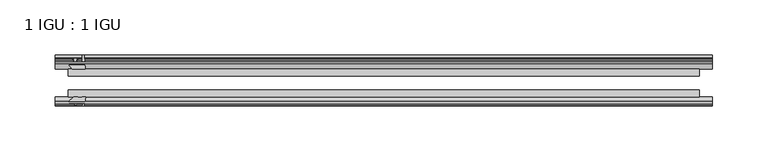
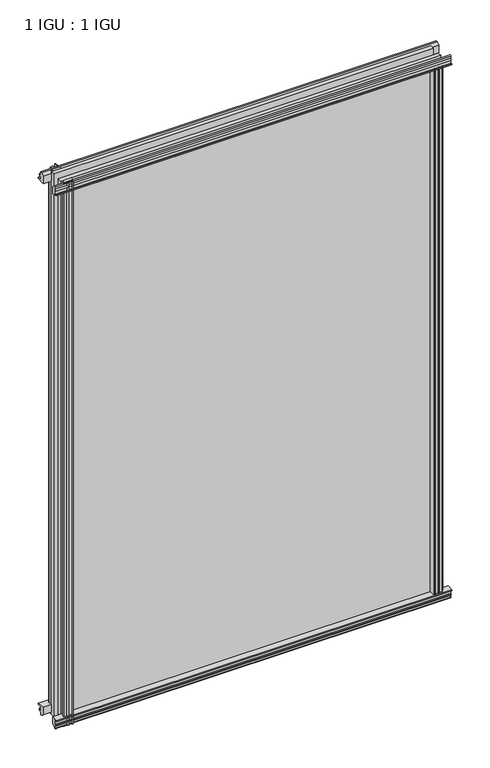
"""IFC4 building model written with IfcOpenShell, lengths in millimetres: plate geometry, 1 IGU : 1 IGU."""

from ifc_helpers import new_model, si_unit, point, frame, frame_2d, origin, origin_with_axes, place, context, project, spatial, polyline, circle_curve, trimmed, segment, composite_curve, outline, extrude, source, transform, mapped, element, save


def plate_1_igu_1_igu_47113755(model_context):
    return source(origin(), model_context, "Body", "SweptSolid", [
        extrude(outline(polyline([(-24.9039062, 2.5763839), (-12.2039062, 1.5739665), (-12.2039062, 0.0), (-18.5539062, 0.0), (-18.5539062, -4.953), (-16.254502, -5.5691235), (-16.6301757, -4.1670901), (-15.7714677, -3.937), (-15.1249062, -6.35), (-15.7714677, -8.763), (-16.6301757, -8.5329099), (-16.254502, -7.1308765), (-18.5539062, -7.747), (-18.5539062, -12.7), (-20.5859062, -12.7), (-24.9039062, -9.1036931), (-24.9039062, 2.5763839)])), frame((-297.6118, 0.0, 0.0), z_axis=(1.0, 0.0, 0.0), x_axis=(0.0, 1.0, 0.0)), (0.0, 0.0, 1.0), 595.2236),
        extrude(outline(composite_curve([segment(polyline([(-58.2287402, 1.5687054), (-50.3039062, 3.0983599), (-50.3039062, -7.92383), (-54.4858806, -12.1058044)]), True, "CONTINUOUS"), segment(trimmed(circle_curve(frame_2d((-55.3839062, -11.2077788)), 1.27), [point((-54.4858806, -12.1058044))], [point((-56.6539062, -11.2077788))], False, "CARTESIAN"), True, "CONTINUOUS"), segment(polyline([(-56.6539062, -11.2077788), (-56.6539062, -8.0327788), (-58.1332022, -5.4488186), (-56.6539062, -5.1879788), (-56.6539062, 0.2222212), (-58.2287402, 0.0), (-58.2287402, 1.5687054)]), True, "CONTINUOUS")], self_intersect=False)), frame((-297.6118, 0.0, 0.0), z_axis=(1.0, 0.0, 0.0), x_axis=(0.0, 1.0, 0.0)), (0.0, 0.0, 1.0), 595.2236),
        extrude(outline(polyline([(-18.5539063, 845.956525), (-16.254502, 845.3404015), (-16.6301757, 846.7424349), (-15.7714677, 846.972525), (-15.1249063, 844.559525), (-15.7714677, 842.146525), (-16.6301757, 842.3766151), (-16.254502, 843.7786485), (-18.5539063, 843.162525), (-18.5539063, 838.209525), (-12.2039062, 838.209525), (-12.2039062, 836.6355585), (-24.9039063, 835.6331411), (-24.9039063, 847.3132181), (-20.5859063, 850.909525), (-18.5539063, 850.909525), (-18.5539063, 845.956525)])), frame((-297.6118, 0.0, 0.0), z_axis=(1.0, 0.0, 0.0), x_axis=(0.0, 1.0, 0.0)), (0.0, 0.0, 1.0), 595.2236),
        extrude(outline(composite_curve([segment(polyline([(-50.3039063, 846.133355), (-50.3039063, 835.1111651), (-58.2287402, 836.6408196), (-58.2287402, 838.209525), (-56.6539063, 837.9873038), (-56.6539063, 843.3975038), (-58.1332023, 843.6583436), (-56.6539063, 846.2423038), (-56.6539063, 849.4173038)]), True, "CONTINUOUS"), segment(trimmed(circle_curve(frame_2d((-55.3839063, 849.4173038)), 1.27), [point((-56.6539063, 849.4173038))], [point((-54.4858806, 850.3153294))], False, "CARTESIAN"), True, "CONTINUOUS"), segment(polyline([(-54.4858806, 850.3153294), (-50.3039063, 846.133355)]), True, "CONTINUOUS")], self_intersect=False)), frame((-297.6118, 0.0, 0.0), z_axis=(1.0, 0.0, 0.0), x_axis=(0.0, 1.0, 0.0)), (0.0, 0.0, 1.0), 595.2236),
        extrude(outline(composite_curve([segment(polyline([(271.318956, -57.3876965), (269.9516401, -50.3039063), (280.97383, -50.3039063), (285.1558044, -54.4858806)]), True, "CONTINUOUS"), segment(trimmed(circle_curve(frame_2d((284.2577788, -55.3839062)), 1.27), [point((285.1558044, -54.4858806))], [point((284.2577788, -56.6539062))], False, "CARTESIAN"), True, "CONTINUOUS"), segment(polyline([(284.2577788, -56.6539062), (281.0827788, -56.6539063), (278.4988186, -58.1332023), (278.2379788, -56.6539063), (272.8277788, -56.6539063), (273.05, -58.2287402), (272.0856792, -58.2014026)]), True, "CONTINUOUS"), segment(trimmed(circle_curve(frame_2d((272.3197788, -57.2127402)), 1.016), [point((272.0856792, -58.2014026))], [point((271.318956, -57.3876965))], False, "CARTESIAN"), True, "CONTINUOUS")], self_intersect=False)), origin_with_axes(), (0.0, 0.0, 1.0), 838.6064),
        extrude(outline(polyline([(278.003, -18.5539062), (278.6191235, -16.254502), (277.2170901, -16.6301757), (276.987, -15.7714677), (279.4, -15.1249062), (281.813, -15.7714677), (281.5829099, -16.6301757), (280.1808765, -16.254502), (280.797, -18.5539063), (285.75, -18.5539063), (285.75, -20.5859063), (282.1536931, -24.9039063), (270.4736161, -24.9039063), (271.4760335, -12.2039062), (273.05, -12.2039062), (273.05, -18.5539062), (278.003, -18.5539062)])), origin_with_axes(), (0.0, 0.0, 1.0), 838.6064),
        extrude(outline(composite_curve([segment(polyline([(-281.0827788, -56.6539062), (-284.2577788, -56.6539062)]), True, "CONTINUOUS"), segment(trimmed(circle_curve(frame_2d((-284.2577788, -55.3839062)), 1.27), [point((-284.2577788, -56.6539062))], [point((-285.1558044, -54.4858806))], False, "CARTESIAN"), True, "CONTINUOUS"), segment(polyline([(-285.1558044, -54.4858806), (-280.97383, -50.3039062), (-277.3042845, -50.3039062)]), True, "CONTINUOUS"), segment(trimmed(circle_curve(frame_2d((-275.2407788, -46.3669062)), 4.445), [point((-277.3042845, -50.3039062))], [point((-273.177273, -50.3039062))], True, "CARTESIAN"), True, "CONTINUOUS"), segment(polyline([(-273.177273, -50.3039062), (-269.9516401, -50.3039062), (-271.4812946, -58.2287402), (-273.05, -58.2287402), (-272.8277788, -56.6539062), (-278.2379788, -56.6539062), (-278.4988186, -58.1332022), (-281.0827788, -56.6539062)]), True, "CONTINUOUS")], self_intersect=False)), frame((0.0, 0.0, -12.7), z_axis=(0.0, 0.0, 1.0), x_axis=(1.0, 0.0, 0.0)), (0.0, 0.0, 1.0), 863.609525),
        extrude(outline(polyline([(-270.4736161, -24.9039062), (-282.1536931, -24.9039062), (-285.75, -20.5859062), (-285.75, -18.5539062), (-280.797, -18.5539062), (-280.1808765, -16.254502), (-281.5829099, -16.6301757), (-281.813, -15.7714677), (-279.4, -15.1249062), (-276.987, -15.7714677), (-277.2170901, -16.6301757), (-278.6191235, -16.254502), (-278.003, -18.5539062), (-273.05, -18.5539062), (-273.05, -12.2039062), (-271.4760335, -12.2039062), (-270.4736161, -24.9039062)])), frame((0.0, 0.0, -12.7), z_axis=(0.0, 0.0, 1.0), x_axis=(1.0, 0.0, 0.0)), (0.0, 0.0, 1.0), 863.609525),
        extrude(outline(polyline([(285.75, -24.9039062), (285.75, -31.2031063), (-285.75, -31.2031063), (-285.75, -24.9039062), (285.75, -24.9039062)])), frame((0.0, 0.0, -12.7), z_axis=(0.0, 0.0, 1.0), x_axis=(1.0, 0.0, 0.0)), (0.0, 0.0, 1.0), 863.609525),
        extrude(outline(polyline([(-285.75, -44.0047063), (285.75, -44.0047063), (285.75, -50.3039062), (-285.75, -50.3039062), (-285.75, -44.0047063)])), frame((0.0, 0.0, -12.7), z_axis=(0.0, 0.0, 1.0), x_axis=(1.0, 0.0, 0.0)), (0.0, 0.0, 1.0), 863.609525),
    ])


if __name__ == "__main__":
    model = new_model("IFC4")
    model_context = context("Model", 3, world=origin())
    ifc_project = project(units=[si_unit("LENGTHUNIT", "METRE", prefix="MILLI")], contexts=[model_context])
    site = spatial("IfcSite", under=ifc_project)
    building = spatial("IfcBuilding", under=site)
    placement = place(None, origin())
    plate_1_igu_1_igu_shape = plate_1_igu_1_igu_47113755(model_context)
    element("IfcPlate", 1, ObjectType="1 IGU : 1 IGU", at=placement, inside=building, context=model_context, shape_type="MappedRepresentation", body=[
        mapped(plate_1_igu_1_igu_shape, transform((0.0, 0.0, 0.0), x_axis=(1.0, 0.0, 0.0), y_axis=(0.0, 1.0, 0.0), z_axis=(0.0, 0.0, 1.0))),
    ])
    save(model, "model.ifc")
